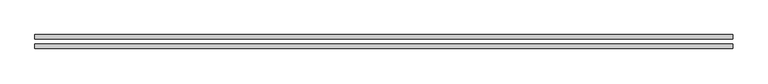
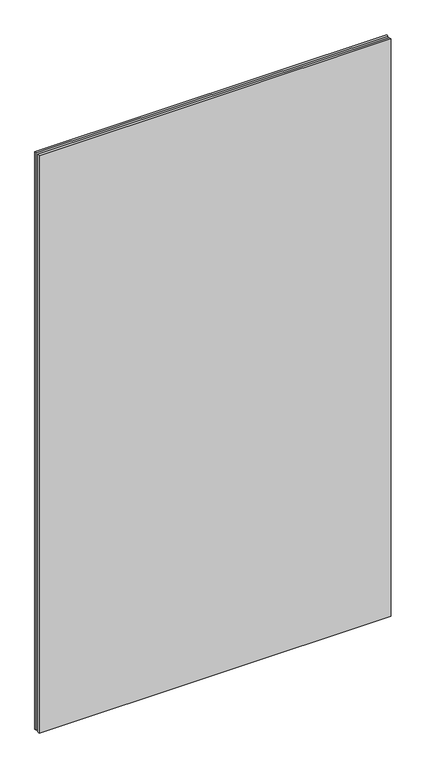
"""IFC4 building model written with IfcOpenShell, lengths in millimetres: plate geometry."""

from ifc_helpers import new_model, si_unit, origin, origin_with_axes, place, context, project, spatial, polyline, outline, extrude, source, transform, mapped, element, save


def plate_3526c248(model_context):
    return source(origin(), model_context, "Body", "SweptSolid", [
        extrude(outline(polyline([(620.0, -40.8), (-620.0, -40.8), (-620.0, -32.8), (620.0, -32.8), (620.0, -40.8)])), origin_with_axes(), (0.0, 0.0, 1.0), 2150.0),
        extrude(outline(polyline([(620.0, -23.8), (-620.0, -23.8), (-620.0, -15.8), (620.0, -15.8), (620.0, -23.8)])), origin_with_axes(), (0.0, 0.0, 1.0), 2150.0),
    ])


if __name__ == "__main__":
    model = new_model("IFC4")
    model_context = context("Model", 3, world=origin())
    ifc_project = project(units=[si_unit("LENGTHUNIT", "METRE", prefix="MILLI")], contexts=[model_context])
    site = spatial("IfcSite", under=ifc_project)
    building = spatial("IfcBuilding", under=site)
    placement = place(None, origin())
    plate_shape = plate_3526c248(model_context)
    element("IfcPlate", 1, at=placement, inside=building, context=model_context, shape_type="MappedRepresentation", body=[
        mapped(plate_shape, transform((0.0, 0.0, 0.0), x_axis=(1.0, 0.0, 0.0), y_axis=(0.0, 1.0, 0.0), z_axis=(0.0, 0.0, 1.0))),
    ])
    save(model, "model.ifc")
